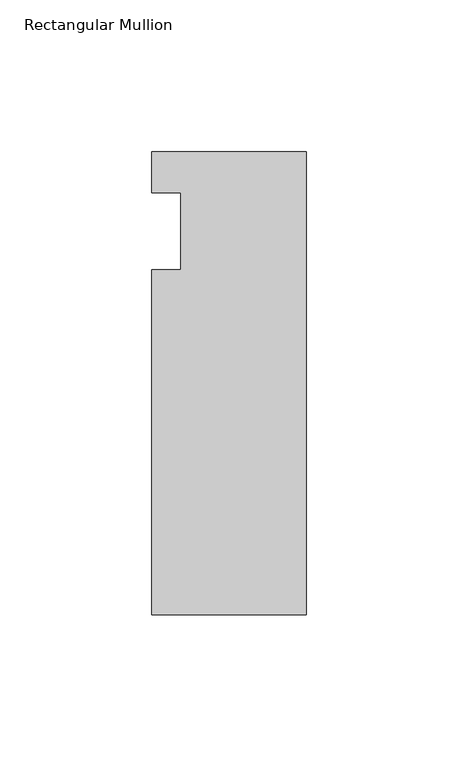
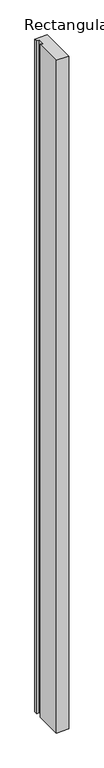
"""IFC4 building model written with IfcOpenShell, lengths in millimetres: member geometry, Rectangular Mullion."""

from ifc_helpers import new_model, si_unit, frame, origin, place, context, project, spatial, polyline, outline, extrude, source, transform, mapped, element, save


def rectangular_mullion_e0a1ab52(model_context):
    return source(origin(), model_context, "Body", "SweptSolid", [
        extrude(outline(polyline([(0.0, 26.19375), (0.0, -126.20625), (-50.8, -126.20625), (-50.8, -12.7), (-41.275, -12.7), (-41.275, 12.7), (-50.8, 12.7), (-50.8, 26.19375), (0.0, 26.19375)])), frame((0.0, 0.0, -2908.3), z_axis=(0.0, 0.0, 1.0), x_axis=(1.0, 0.0, 0.0)), (0.0, 0.0, 1.0), 2908.3),
    ])


if __name__ == "__main__":
    model = new_model("IFC4")
    model_context = context("Model", 3, world=origin())
    ifc_project = project(units=[si_unit("LENGTHUNIT", "METRE", prefix="MILLI")], contexts=[model_context])
    site = spatial("IfcSite", under=ifc_project)
    building = spatial("IfcBuilding", under=site)
    placement = place(None, origin())
    rectangular_mullion_shape = rectangular_mullion_e0a1ab52(model_context)
    element("IfcMember", 1, ObjectType="Rectangular Mullion", at=placement, inside=building, context=model_context, shape_type="MappedRepresentation", body=[
        mapped(rectangular_mullion_shape, transform((0.0, 0.0, 0.0), x_axis=(1.0, 0.0, 0.0), y_axis=(0.0, 1.0, 0.0), z_axis=(0.0, 0.0, 1.0))),
    ])
    save(model, "model.ifc")
